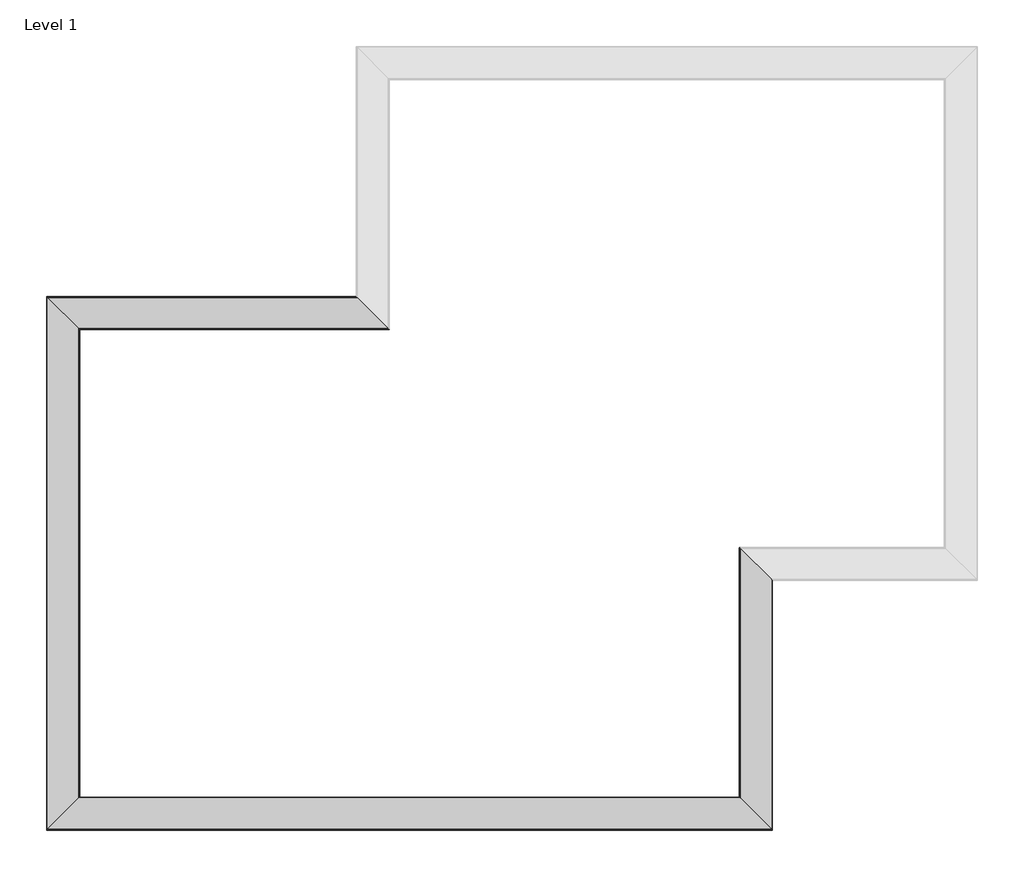
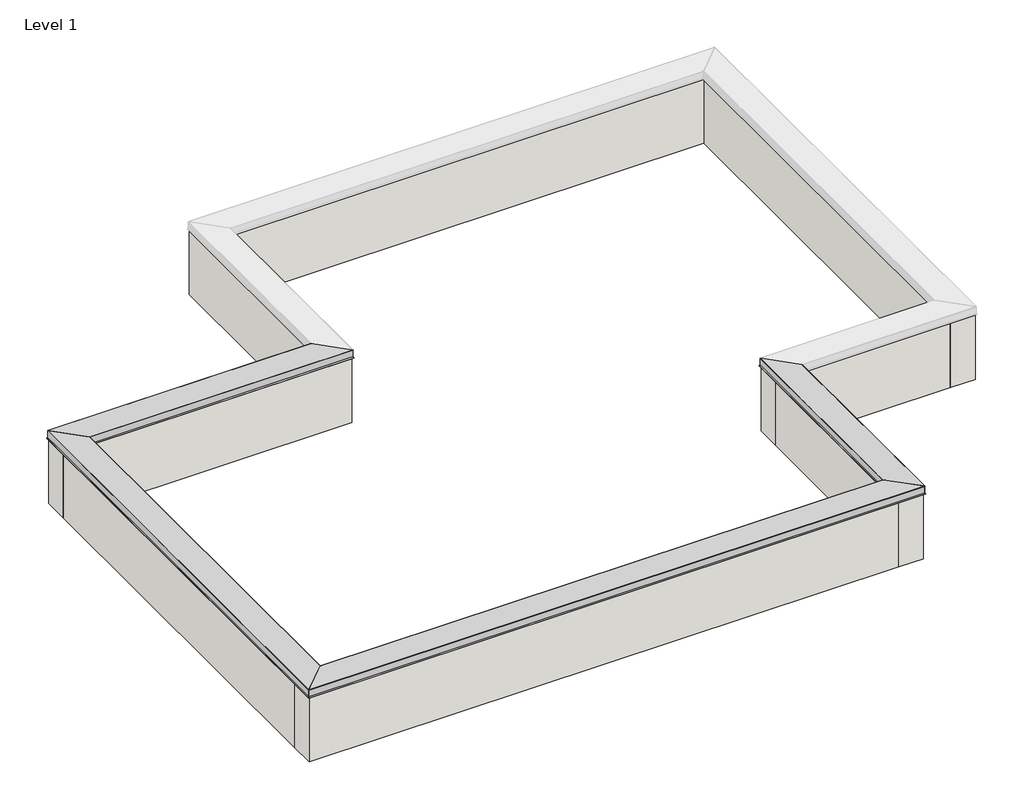
# One storey, part 1 of 2: 8 walls, 4 proxies.
"""IFC4 building model written with IfcOpenShell, lengths in millimetres."""

from ifc_helpers import new_model, si_unit, frame, origin, origin_with_axes, place, context, project, spatial, polyline, ellipse_curve, outline, extrude, faceted_brep, element, save
from ifc_brep_helpers import plane_surface, cylinder_surface, advanced_brep

model = new_model("IFC4")

# Units and contexts
model_context = context("Model", 3, world=origin())
ifc_project = project(units=[si_unit("LENGTHUNIT", "METRE", prefix="MILLI")], contexts=[model_context])

# Site, building, storey
site = spatial("IfcSite", under=ifc_project)
building = spatial("IfcBuilding", under=site)
storey = spatial("IfcBuildingStorey", under=building, Name="Level 1", Elevation=0.0)

# Proxies
placement = place(None, origin())
element("IfcBuildingElementProxy", 1, Name="Wall Sweeps", at=placement, inside=storey, context=model_context, shape_type="AdvancedBrep", body=[
    advanced_brep(
    [(-7784.386069, 22440.6768217, 938.5463571), (-7785.5730266, 22441.8637793, 939.8), (-8109.055185, 22765.3459378, 939.8), (-8110.4188815, 22766.7096342, 938.508843), (-8110.4188815, 22766.7096342, 853.6034331), (-8118.3868754, 22774.6776281, 839.8024627), (-8116.9097878, 22773.2005405, 838.3536044), (-8107.3263626, 22763.6171153, 844.1359599), (-8107.8902006, 22764.1809533, 845.0704406), (-8117.3968634, 22773.6876161, 839.3344014), (-8109.3274752, 22765.6182279, 853.3109916), (-8109.3274752, 22765.6182279, 938.7085937), (-7785.4774752, 22441.7682279, 938.7085938), (-7785.4774752, 22441.7682279, 853.3109916), (-7777.4080871, 22433.6988398, 839.3344014), (-7786.9147498, 22443.2055026, 845.0704406), (-7787.4785879, 22443.7693406, 844.1359599), (-7777.8951627, 22434.1859154, 838.3536044), (-7776.418075, 22432.7088278, 839.8024627), (-7784.386069, 22440.6768217, 853.6034331), (-4571.2676589, 22440.6768217, 938.5463571), (-4571.2676589, 22440.6768217, 853.6034331), (-4563.299665, 22432.7088278, 839.8024627), (-4564.7767526, 22434.1859154, 838.3536044), (-4574.3601778, 22443.7693406, 844.1359599), (-4573.7963398, 22443.2055026, 845.0704406), (-4564.289677, 22433.6988398, 839.3344014), (-4572.3590652, 22441.7682279, 853.3109916), (-4572.3590652, 22441.7682279, 938.7085938), (-4896.2090652, 22765.6182279, 938.7085937), (-4896.2090652, 22765.6182279, 853.3109916), (-4904.2784533, 22773.6876161, 839.3344014), (-4894.7717906, 22764.1809533, 845.0704406), (-4894.2079525, 22763.6171153, 844.1359599), (-4903.7913777, 22773.2005405, 838.3536044), (-4905.2684654, 22774.6776281, 839.8024627), (-4897.3004714, 22766.7096342, 853.6034331), (-4897.3004714, 22766.7096342, 938.508843), (-4895.936775, 22765.3459378, 939.8), (-4572.4546165, 22441.8637793, 939.8)],
    [
        (0, 1, ellipse_curve(frame((-7785.6415852, 22441.9323379, 938.5463571), z_axis=(-0.7071067811865511, -0.707106781186544, 0.0), x_axis=(-0.7071067811865438, 0.7071067811865512, 0.0)), 1.775568, 1.2555162)),
        (1, 2),
        (2, 3, ellipse_curve(frame((-8109.1257952, 22765.4165479, 938.508843), z_axis=(-0.7071067811865511, -0.707106781186544, 0.0), x_axis=(-0.7071067811865438, 0.7071067811865512, 0.0)), 1.8287002, 1.2930863)),
        (3, 4),
        (4, 5),
        (5, 6, ellipse_curve(frame((-8117.4616931, 22773.7524459, 839.2683085), z_axis=(-0.7071067811865511, -0.707106781186544, 0.0), x_axis=(-0.7071067811865438, 0.7071067811865512, 0.0)), 1.5108163, 1.0683085)),
        (6, 7),
        (7, 8),
        (8, 9),
        (9, 10),
        (10, 11),
        (11, 12),
        (12, 13),
        (13, 14),
        (14, 15),
        (15, 16),
        (16, 17),
        (17, 18, ellipse_curve(frame((-7777.3432573, 22433.63401, 839.2683085), z_axis=(-0.7071067811865511, -0.707106781186544, 0.0), x_axis=(-0.7071067811865438, 0.7071067811865512, 0.0)), 1.5108163, 1.0683085)),
        (18, 19),
        (19, 0),
        (20, 21),
        (21, 22),
        (22, 23, ellipse_curve(frame((-4564.2248473, 22433.63401, 839.2683085), z_axis=(0.7071067811865511, 0.707106781186544, 0.0), x_axis=(-0.7071067811865438, 0.7071067811865512, 0.0)), 1.5108163, 1.0683085)),
        (23, 24),
        (24, 25),
        (25, 26),
        (26, 27),
        (27, 28),
        (28, 29),
        (29, 30),
        (30, 31),
        (31, 32),
        (32, 33),
        (33, 34),
        (34, 35, ellipse_curve(frame((-4904.3432831, 22773.7524459, 839.2683085), z_axis=(0.7071067811865511, 0.707106781186544, 0.0), x_axis=(-0.7071067811865438, 0.7071067811865512, 0.0)), 1.5108163, 1.0683085)),
        (35, 36),
        (36, 37),
        (37, 38, ellipse_curve(frame((-4896.0073851, 22765.4165479, 938.508843), z_axis=(0.7071067811865511, 0.707106781186544, 0.0), x_axis=(-0.7071067811865438, 0.7071067811865512, 0.0)), 1.8287002, 1.2930863)),
        (38, 39),
        (39, 20, ellipse_curve(frame((-4572.5231751, 22441.9323379, 938.5463571), z_axis=(0.7071067811865511, 0.707106781186544, 0.0), x_axis=(-0.7071067811865438, 0.7071067811865512, 0.0)), 1.775568, 1.2555162)),
        (0, 20),
        (39, 1),
        (38, 2),
        (37, 3),
        (36, 4),
        (35, 5),
        (34, 6),
        (33, 7),
        (32, 8),
        (31, 9),
        (30, 10),
        (29, 11),
        (28, 12),
        (27, 13),
        (26, 14),
        (25, 15),
        (24, 16),
        (23, 17),
        (22, 18),
        (21, 19),
    ],
    [
        plane_surface(frame((-7947.4024752, 22603.6932279, 1219.2), z_axis=(-0.7071067811865511, -0.707106781186544, 0.0), x_axis=(0.707106781186544, -0.7071067811865511, 0.0))),
        plane_surface(frame((-4734.2840652, 22603.6932279, 609.6), z_axis=(0.7071067811865511, 0.707106781186544, 0.0), x_axis=(-0.707106781186544, 0.7071067811865511, 0.0))),
        cylinder_surface(frame((-7947.4024752, 22441.9323379, 938.5463571), z_axis=(-1.0, 0.0, 0.0), x_axis=(0.0, 1.0, 0.0)), 1.2555162),
        plane_surface(frame((-7785.5730266, 22441.8637793, 939.8), z_axis=(0.0, 0.0, 1.0), x_axis=(1.0, 0.0, 0.0))),
        cylinder_surface(frame((-7947.4024752, 22765.4165479, 938.508843), z_axis=(-1.0, 0.0, 0.0), x_axis=(0.0, 1.0, 0.0)), 1.2930863),
        plane_surface(frame((-8110.4188815, 22766.7096342, 938.508843), z_axis=(0.0, 1.0, 0.0), x_axis=(1.0, 0.0, 0.0))),
        plane_surface(frame((-8110.4188815, 22766.7096342, 853.6034331), z_axis=(0.0, 0.8660254037844565, 0.4999999999999693), x_axis=(1.0, 0.0, 0.0))),
        cylinder_surface(frame((-7947.4024752, 22773.7524459, 839.2683085), z_axis=(-1.0, 0.0, 0.0), x_axis=(0.0, 1.0, 0.0)), 1.0683085),
        plane_surface(frame((-8116.9097878, 22773.2005405, 838.3536044), z_axis=(0.0, -0.5166161099101941, -0.8562171424243141), x_axis=(1.0, 0.0, 0.0))),
        plane_surface(frame((-8107.3263626, 22763.6171153, 844.1359599), z_axis=(0.0, -0.8562171424243104, 0.5166161099102006), x_axis=(1.0, 0.0, 0.0))),
        plane_surface(frame((-8107.8902006, 22764.1809533, 845.0704406), z_axis=(0.0, 0.5166161099101967, 0.8562171424243127), x_axis=(1.0, 0.0, 0.0))),
        plane_surface(frame((-8117.3968634, 22773.6876161, 839.3344014), z_axis=(0.0, -0.8660254037844567, -0.49999999999996875), x_axis=(1.0, 0.0, 0.0))),
        plane_surface(frame((-8109.3274752, 22765.6182279, 853.3109916), z_axis=(0.0, -1.0, 0.0), x_axis=(1.0, 0.0, 0.0))),
        plane_surface(frame((-8109.3274752, 22765.6182279, 938.7085937), z_axis=(0.0, 0.0, -1.0), x_axis=(1.0, 0.0, 0.0))),
        plane_surface(frame((-7785.4774752, 22441.7682279, 938.7085938), z_axis=(0.0, 1.0, 0.0), x_axis=(1.0, 0.0, 0.0))),
        plane_surface(frame((-7785.4774752, 22441.7682279, 853.3109916), z_axis=(0.0, 0.8660254037844562, -0.4999999999999696), x_axis=(1.0, 0.0, 0.0))),
        plane_surface(frame((-7777.4080871, 22433.6988398, 839.3344014), z_axis=(0.0, -0.5166161099101976, 0.8562171424243121), x_axis=(1.0, 0.0, 0.0))),
        plane_surface(frame((-7786.9147498, 22443.2055026, 845.0704406), z_axis=(0.0, 0.8562171424243104, 0.5166161099102006), x_axis=(1.0, 0.0, 0.0))),
        plane_surface(frame((-7787.4785879, 22443.7693406, 844.1359599), z_axis=(0.0, 0.5166161099101971, -0.8562171424243123), x_axis=(1.0, 0.0, 0.0))),
        cylinder_surface(frame((-7947.4024752, 22433.63401, 839.2683085), z_axis=(-1.0, 0.0, 0.0), x_axis=(0.0, 1.0, 0.0)), 1.0683085),
        plane_surface(frame((-7776.418075, 22432.7088278, 839.8024627), z_axis=(0.0, -0.8660254037844569, 0.4999999999999685), x_axis=(1.0, 0.0, 0.0))),
        plane_surface(frame((-7784.386069, 22440.6768217, 853.6034331), z_axis=(0.0, -1.0, 0.0), x_axis=(1.0, 0.0, 0.0))),
    ],
    [
        (0, [[1, 2, 3, 4, 5, 6, 7, 8, 9, 10, 11, 12, 13, 14, 15, 16, 17, 18, 19, 20]]),
        (1, [[21, 22, 23, 24, 25, 26, 27, 28, 29, 30, 31, 32, 33, 34, 35, 36, 37, 38, 39, 40]]),
        (2, [[-1, 41, -40, 42]]),
        (3, [[-2, -42, -39, 43]]),
        (4, [[-3, -43, -38, 44]]),
        (5, [[-4, -44, -37, 45]]),
        (6, [[-5, -45, -36, 46]]),
        (7, [[-6, -46, -35, 47]]),
        (8, [[-7, -47, -34, 48]]),
        (9, [[-8, -48, -33, 49]]),
        (10, [[-9, -49, -32, 50]]),
        (11, [[-10, -50, -31, 51]]),
        (12, [[-11, -51, -30, 52]]),
        (13, [[-12, -52, -29, 53]]),
        (14, [[-13, -53, -28, 54]]),
        (15, [[-14, -54, -27, 55]]),
        (16, [[-15, -55, -26, 56]]),
        (17, [[-16, -56, -25, 57]]),
        (18, [[-17, -57, -24, 58]]),
        (19, [[-18, -58, -23, 59]]),
        (20, [[-19, -59, -22, 60]]),
        (21, [[-20, -60, -21, -41]]),
    ],
),
])
element("IfcBuildingElementProxy", 2, Name="Wall Sweeps", at=placement, inside=storey, context=model_context, shape_type="AdvancedBrep", body=[
    advanced_brep(
    [(-922.1820614, 20163.1912241, 938.5463571), (-920.9951038, 20162.0042665, 939.8), (-597.5129453, 19838.5221081, 939.8), (-596.1492489, 19837.1584116, 938.508843), (-596.1492489, 19837.1584116, 853.6034331), (-588.1812549, 19829.1904177, 839.8024627), (-589.6583426, 19830.6675054, 838.3536044), (-599.2417678, 19840.2509306, 844.1359599), (-598.6779297, 19839.6870925, 845.0704406), (-589.171267, 19830.1804297, 839.3344014), (-597.2406551, 19838.2498179, 853.3109916), (-597.2406551, 19838.2498179, 938.7085937), (-921.0906551, 20162.0998179, 938.7085938), (-921.0906551, 20162.0998179, 853.3109916), (-929.1600433, 20170.1692061, 839.3344014), (-919.6533805, 20160.6625433, 845.0704406), (-919.0895425, 20160.0987052, 844.1359599), (-928.6729677, 20169.6821304, 838.3536044), (-930.1500553, 20171.1592181, 839.8024627), (-922.1820614, 20163.1912241, 853.6034331), (-922.1820614, 17572.3912241, 938.5463571), (-922.1820614, 17572.3912241, 853.6034331), (-930.1500553, 17580.3592181, 839.8024627), (-928.6729677, 17578.8821304, 838.3536044), (-919.0895425, 17569.2987052, 844.1359599), (-919.6533805, 17569.8625433, 845.0704406), (-929.1600433, 17579.3692061, 839.3344014), (-921.0906551, 17571.2998179, 853.3109916), (-921.0906551, 17571.2998179, 938.7085938), (-597.2406551, 17247.4498179, 938.7085937), (-597.2406551, 17247.4498179, 853.3109916), (-589.171267, 17239.3804297, 839.3344014), (-598.6779297, 17248.8870925, 845.0704406), (-599.2417678, 17249.4509306, 844.1359599), (-589.6583426, 17239.8675054, 838.3536044), (-588.1812549, 17238.3904177, 839.8024627), (-596.1492489, 17246.3584116, 853.6034331), (-596.1492489, 17246.3584116, 938.508843), (-597.5129453, 17247.7221081, 939.8), (-920.9951038, 17571.2042665, 939.8)],
    [
        (0, 1, ellipse_curve(frame((-920.9265452, 20161.935708, 938.5463571), z_axis=(0.7071067811865513, 0.7071067811865438, 0.0), x_axis=(-0.7071067811865438, 0.7071067811865512, 0.0)), 1.775568, 1.2555162)),
        (1, 2),
        (2, 3, ellipse_curve(frame((-597.4423352, 19838.4514979, 938.508843), z_axis=(0.7071067811865513, 0.7071067811865438, 0.0), x_axis=(-0.7071067811865438, 0.7071067811865512, 0.0)), 1.8287002, 1.2930863)),
        (3, 4),
        (4, 5),
        (5, 6, ellipse_curve(frame((-589.1064372, 19830.1156, 839.2683085), z_axis=(0.7071067811865513, 0.7071067811865438, 0.0), x_axis=(-0.7071067811865438, 0.7071067811865512, 0.0)), 1.5108163, 1.0683085)),
        (6, 7),
        (7, 8),
        (8, 9),
        (9, 10),
        (10, 11),
        (11, 12),
        (12, 13),
        (13, 14),
        (14, 15),
        (15, 16),
        (16, 17),
        (17, 18, ellipse_curve(frame((-929.224873, 20170.2340358, 839.2683085), z_axis=(0.7071067811865513, 0.7071067811865438, 0.0), x_axis=(-0.7071067811865438, 0.7071067811865512, 0.0)), 1.5108163, 1.0683085)),
        (18, 19),
        (19, 0),
        (20, 21),
        (21, 22),
        (22, 23, ellipse_curve(frame((-929.224873, 17579.4340358, 839.2683085), z_axis=(-0.7071067811865478, -0.7071067811865474, 0.0), x_axis=(-0.7071067811865475, 0.7071067811865477, 0.0)), 1.5108163, 1.0683085)),
        (23, 24),
        (24, 25),
        (25, 26),
        (26, 27),
        (27, 28),
        (28, 29),
        (29, 30),
        (30, 31),
        (31, 32),
        (32, 33),
        (33, 34),
        (34, 35, ellipse_curve(frame((-589.1064372, 17239.3156, 839.2683085), z_axis=(-0.7071067811865478, -0.7071067811865474, 0.0), x_axis=(-0.7071067811865475, 0.7071067811865477, 0.0)), 1.5108163, 1.0683085)),
        (35, 36),
        (36, 37),
        (37, 38, ellipse_curve(frame((-597.4423352, 17247.6514979, 938.508843), z_axis=(-0.7071067811865478, -0.7071067811865474, 0.0), x_axis=(-0.7071067811865475, 0.7071067811865477, 0.0)), 1.8287002, 1.2930863)),
        (38, 39),
        (39, 20, ellipse_curve(frame((-920.9265452, 17571.135708, 938.5463571), z_axis=(-0.7071067811865478, -0.7071067811865474, 0.0), x_axis=(-0.7071067811865475, 0.7071067811865477, 0.0)), 1.775568, 1.2555162)),
        (0, 20),
        (39, 1),
        (38, 2),
        (37, 3),
        (36, 4),
        (35, 5),
        (34, 6),
        (33, 7),
        (32, 8),
        (31, 9),
        (30, 10),
        (29, 11),
        (28, 12),
        (27, 13),
        (26, 14),
        (25, 15),
        (24, 16),
        (23, 17),
        (22, 18),
        (21, 19),
    ],
    [
        plane_surface(frame((-759.1656551, 20000.1748179, 609.6), z_axis=(0.7071067811865513, 0.7071067811865438, 0.0), x_axis=(0.7071067811865438, -0.7071067811865513, 0.0))),
        plane_surface(frame((-759.1656551, 17409.3748179, 1219.2), z_axis=(-0.7071067811865478, -0.7071067811865474, 0.0), x_axis=(-0.7071067811865474, 0.7071067811865478, 0.0))),
        cylinder_surface(frame((-920.9265452, 20000.1748179, 938.5463571), z_axis=(0.0, 1.0, 0.0), x_axis=(1.0, 0.0, 0.0)), 1.2555162),
        plane_surface(frame((-920.9951038, 20162.0042665, 939.8), z_axis=(0.0, 0.0, 1.0), x_axis=(0.0, -1.0, 0.0))),
        cylinder_surface(frame((-597.4423352, 20000.1748179, 938.508843), z_axis=(0.0, 1.0, 0.0), x_axis=(1.0, 0.0, 0.0)), 1.2930863),
        plane_surface(frame((-596.1492489, 19837.1584116, 938.508843), z_axis=(1.0, 0.0, 0.0), x_axis=(0.0, -1.0, 0.0))),
        plane_surface(frame((-596.1492489, 19837.1584116, 853.6034331), z_axis=(0.8660254037844565, 0.0, 0.4999999999999693), x_axis=(0.0, -1.0, 0.0))),
        cylinder_surface(frame((-589.1064372, 20000.1748179, 839.2683085), z_axis=(0.0, 1.0, 0.0), x_axis=(1.0, 0.0, 0.0)), 1.0683085),
        plane_surface(frame((-589.6583426, 19830.6675054, 838.3536044), z_axis=(-0.5166161099101941, 0.0, -0.8562171424243141), x_axis=(0.0, -1.0, 0.0))),
        plane_surface(frame((-599.2417678, 19840.2509306, 844.1359599), z_axis=(-0.8562171424243104, 0.0, 0.5166161099102006), x_axis=(0.0, -1.0, 0.0))),
        plane_surface(frame((-598.6779297, 19839.6870925, 845.0704406), z_axis=(0.5166161099101967, 0.0, 0.8562171424243127), x_axis=(0.0, -1.0, 0.0))),
        plane_surface(frame((-589.171267, 19830.1804297, 839.3344014), z_axis=(-0.8660254037844567, 0.0, -0.49999999999996875), x_axis=(0.0, -1.0, 0.0))),
        plane_surface(frame((-597.2406551, 19838.2498179, 853.3109916), z_axis=(-1.0, 0.0, 0.0), x_axis=(0.0, -1.0, 0.0))),
        plane_surface(frame((-597.2406551, 19838.2498179, 938.7085937), z_axis=(0.0, 0.0, -1.0), x_axis=(0.0, -1.0, 0.0))),
        plane_surface(frame((-921.0906551, 20162.0998179, 938.7085938), z_axis=(1.0, 0.0, 0.0), x_axis=(0.0, -1.0, 0.0))),
        plane_surface(frame((-921.0906551, 20162.0998179, 853.3109916), z_axis=(0.8660254037844562, 0.0, -0.4999999999999696), x_axis=(0.0, -1.0, 0.0))),
        plane_surface(frame((-929.1600433, 20170.1692061, 839.3344014), z_axis=(-0.5166161099101976, 0.0, 0.8562171424243121), x_axis=(0.0, -1.0, 0.0))),
        plane_surface(frame((-919.6533805, 20160.6625433, 845.0704406), z_axis=(0.8562171424243104, 0.0, 0.5166161099102006), x_axis=(0.0, -1.0, 0.0))),
        plane_surface(frame((-919.0895425, 20160.0987052, 844.1359599), z_axis=(0.5166161099101971, 0.0, -0.8562171424243123), x_axis=(0.0, -1.0, 0.0))),
        cylinder_surface(frame((-929.224873, 20000.1748179, 839.2683085), z_axis=(0.0, 1.0, 0.0), x_axis=(1.0, 0.0, 0.0)), 1.0683085),
        plane_surface(frame((-930.1500553, 20171.1592181, 839.8024627), z_axis=(-0.8660254037844569, 0.0, 0.4999999999999685), x_axis=(0.0, -1.0, 0.0))),
        plane_surface(frame((-922.1820614, 20163.1912241, 853.6034331), z_axis=(-1.0, 0.0, 0.0), x_axis=(0.0, -1.0, 0.0))),
    ],
    [
        (0, [[1, 2, 3, 4, 5, 6, 7, 8, 9, 10, 11, 12, 13, 14, 15, 16, 17, 18, 19, 20]]),
        (1, [[21, 22, 23, 24, 25, 26, 27, 28, 29, 30, 31, 32, 33, 34, 35, 36, 37, 38, 39, 40]]),
        (2, [[-1, 41, -40, 42]]),
        (3, [[-2, -42, -39, 43]]),
        (4, [[-3, -43, -38, 44]]),
        (5, [[-4, -44, -37, 45]]),
        (6, [[-5, -45, -36, 46]]),
        (7, [[-6, -46, -35, 47]]),
        (8, [[-7, -47, -34, 48]]),
        (9, [[-8, -48, -33, 49]]),
        (10, [[-9, -49, -32, 50]]),
        (11, [[-10, -50, -31, 51]]),
        (12, [[-11, -51, -30, 52]]),
        (13, [[-12, -52, -29, 53]]),
        (14, [[-13, -53, -28, 54]]),
        (15, [[-14, -54, -27, 55]]),
        (16, [[-15, -55, -26, 56]]),
        (17, [[-16, -56, -25, 57]]),
        (18, [[-17, -57, -24, 58]]),
        (19, [[-18, -58, -23, 59]]),
        (20, [[-19, -59, -22, 60]]),
        (21, [[-20, -60, -21, -41]]),
    ],
),
])
element("IfcBuildingElementProxy", 3, Name="Wall Sweeps", at=placement, inside=storey, context=model_context, shape_type="AdvancedBrep", body=[
    advanced_brep(
    [(-922.1820614, 17572.3912241, 938.5463571), (-920.9951038, 17571.2042665, 939.8), (-597.5129453, 17247.7221081, 939.8), (-596.1492489, 17246.3584116, 938.508843), (-596.1492489, 17246.3584116, 853.6034331), (-588.1812549, 17238.3904177, 839.8024627), (-589.6583426, 17239.8675054, 838.3536044), (-599.2417678, 17249.4509306, 844.1359599), (-598.6779297, 17248.8870925, 845.0704406), (-589.171267, 17239.3804297, 839.3344014), (-597.2406551, 17247.4498179, 853.3109916), (-597.2406551, 17247.4498179, 938.7085937), (-921.0906551, 17571.2998179, 938.7085938), (-921.0906551, 17571.2998179, 853.3109916), (-929.1600433, 17579.3692061, 839.3344014), (-919.6533805, 17569.8625433, 845.0704406), (-919.0895425, 17569.2987052, 844.1359599), (-928.6729677, 17578.8821304, 838.3536044), (-930.1500553, 17580.3592181, 839.8024627), (-922.1820614, 17572.3912241, 853.6034331), (-7784.386069, 17572.3912241, 938.5463571), (-7784.386069, 17572.3912241, 853.6034331), (-7776.418075, 17580.3592181, 839.8024627), (-7777.8951627, 17578.8821304, 838.3536044), (-7787.4785879, 17569.2987052, 844.1359599), (-7786.9147498, 17569.8625433, 845.0704406), (-7777.4080871, 17579.3692061, 839.3344014), (-7785.4774752, 17571.2998179, 853.3109916), (-7785.4774752, 17571.2998179, 938.7085938), (-8109.3274752, 17247.4498179, 938.7085937), (-8109.3274752, 17247.4498179, 853.3109916), (-8117.3968634, 17239.3804297, 839.3344014), (-8107.8902006, 17248.8870925, 845.0704406), (-8107.3263626, 17249.4509306, 844.1359599), (-8116.9097878, 17239.8675054, 838.3536044), (-8118.3868754, 17238.3904177, 839.8024627), (-8110.4188815, 17246.3584116, 853.6034331), (-8110.4188815, 17246.3584116, 938.508843), (-8109.055185, 17247.7221081, 939.8), (-7785.5730266, 17571.2042665, 939.8)],
    [
        (0, 1, ellipse_curve(frame((-920.9265452, 17571.135708, 938.5463571), z_axis=(0.7071067811865478, 0.7071067811865474, 0.0), x_axis=(0.7071067811865472, -0.7071067811865477, 0.0)), 1.775568, 1.2555162)),
        (1, 2),
        (2, 3, ellipse_curve(frame((-597.4423352, 17247.6514979, 938.508843), z_axis=(0.7071067811865478, 0.7071067811865474, 0.0), x_axis=(0.7071067811865472, -0.7071067811865477, 0.0)), 1.8287002, 1.2930863)),
        (3, 4),
        (4, 5),
        (5, 6, ellipse_curve(frame((-589.1064372, 17239.3156, 839.2683085), z_axis=(0.7071067811865478, 0.7071067811865474, 0.0), x_axis=(0.7071067811865472, -0.7071067811865477, 0.0)), 1.5108163, 1.0683085)),
        (6, 7),
        (7, 8),
        (8, 9),
        (9, 10),
        (10, 11),
        (11, 12),
        (12, 13),
        (13, 14),
        (14, 15),
        (15, 16),
        (16, 17),
        (17, 18, ellipse_curve(frame((-929.224873, 17579.4340358, 839.2683085), z_axis=(0.7071067811865478, 0.7071067811865474, 0.0), x_axis=(0.7071067811865472, -0.7071067811865477, 0.0)), 1.5108163, 1.0683085)),
        (18, 19),
        (19, 0),
        (20, 21),
        (21, 22),
        (22, 23, ellipse_curve(frame((-7777.3432573, 17579.4340358, 839.2683085), z_axis=(-0.7071067811865458, 0.7071067811865493, 0.0), x_axis=(0.7071067811865491, 0.7071067811865458, 0.0)), 1.5108163, 1.0683085)),
        (23, 24),
        (24, 25),
        (25, 26),
        (26, 27),
        (27, 28),
        (28, 29),
        (29, 30),
        (30, 31),
        (31, 32),
        (32, 33),
        (33, 34),
        (34, 35, ellipse_curve(frame((-8117.4616931, 17239.3156, 839.2683085), z_axis=(-0.7071067811865458, 0.7071067811865493, 0.0), x_axis=(0.7071067811865491, 0.7071067811865458, 0.0)), 1.5108163, 1.0683085)),
        (35, 36),
        (36, 37),
        (37, 38, ellipse_curve(frame((-8109.1257952, 17247.6514979, 938.508843), z_axis=(-0.7071067811865458, 0.7071067811865493, 0.0), x_axis=(0.7071067811865491, 0.7071067811865458, 0.0)), 1.8287002, 1.2930863)),
        (38, 39),
        (39, 20, ellipse_curve(frame((-7785.6415852, 17571.135708, 938.5463571), z_axis=(-0.7071067811865458, 0.7071067811865493, 0.0), x_axis=(0.7071067811865491, 0.7071067811865458, 0.0)), 1.775568, 1.2555162)),
        (0, 20),
        (39, 1),
        (38, 2),
        (37, 3),
        (36, 4),
        (35, 5),
        (34, 6),
        (33, 7),
        (32, 8),
        (31, 9),
        (30, 10),
        (29, 11),
        (28, 12),
        (27, 13),
        (26, 14),
        (25, 15),
        (24, 16),
        (23, 17),
        (22, 18),
        (21, 19),
    ],
    [
        plane_surface(frame((-759.1656551, 17409.3748179, 1219.2), z_axis=(0.7071067811865478, 0.7071067811865474, 0.0), x_axis=(-0.7071067811865474, 0.7071067811865478, 0.0))),
        plane_surface(frame((-7947.4024752, 17409.3748179, 1219.2), z_axis=(-0.7071067811865458, 0.7071067811865493, 0.0), x_axis=(0.7071067811865493, 0.7071067811865458, 0.0))),
        cylinder_surface(frame((-759.1656551, 17571.135708, 938.5463571), z_axis=(1.0, 0.0, 0.0), x_axis=(0.0, -1.0, 0.0)), 1.2555162),
        plane_surface(frame((-920.9951038, 17571.2042665, 939.8), z_axis=(0.0, 0.0, 1.0), x_axis=(-1.0, 0.0, 0.0))),
        cylinder_surface(frame((-759.1656551, 17247.6514979, 938.508843), z_axis=(1.0, 0.0, 0.0), x_axis=(0.0, -1.0, 0.0)), 1.2930863),
        plane_surface(frame((-596.1492489, 17246.3584116, 938.508843), z_axis=(0.0, -1.0, 0.0), x_axis=(-1.0, 0.0, 0.0))),
        plane_surface(frame((-596.1492489, 17246.3584116, 853.6034331), z_axis=(0.0, -0.8660254037844565, 0.4999999999999693), x_axis=(-1.0, 0.0, 0.0))),
        cylinder_surface(frame((-759.1656551, 17239.3156, 839.2683085), z_axis=(1.0, 0.0, 0.0), x_axis=(0.0, -1.0, 0.0)), 1.0683085),
        plane_surface(frame((-589.6583426, 17239.8675054, 838.3536044), z_axis=(0.0, 0.5166161099101941, -0.8562171424243141), x_axis=(-1.0, 0.0, 0.0))),
        plane_surface(frame((-599.2417678, 17249.4509306, 844.1359599), z_axis=(0.0, 0.8562171424243104, 0.5166161099102006), x_axis=(-1.0, 0.0, 0.0))),
        plane_surface(frame((-598.6779297, 17248.8870925, 845.0704406), z_axis=(0.0, -0.5166161099101967, 0.8562171424243127), x_axis=(-1.0, 0.0, 0.0))),
        plane_surface(frame((-589.171267, 17239.3804297, 839.3344014), z_axis=(0.0, 0.8660254037844567, -0.49999999999996875), x_axis=(-1.0, 0.0, 0.0))),
        plane_surface(frame((-597.2406551, 17247.4498179, 853.3109916), z_axis=(0.0, 1.0, 0.0), x_axis=(-1.0, 0.0, 0.0))),
        plane_surface(frame((-597.2406551, 17247.4498179, 938.7085937), z_axis=(0.0, 0.0, -1.0), x_axis=(-1.0, 0.0, 0.0))),
        plane_surface(frame((-921.0906551, 17571.2998179, 938.7085938), z_axis=(0.0, -1.0, 0.0), x_axis=(-1.0, 0.0, 0.0))),
        plane_surface(frame((-921.0906551, 17571.2998179, 853.3109916), z_axis=(0.0, -0.8660254037844562, -0.4999999999999696), x_axis=(-1.0, 0.0, 0.0))),
        plane_surface(frame((-929.1600433, 17579.3692061, 839.3344014), z_axis=(0.0, 0.5166161099101976, 0.8562171424243121), x_axis=(-1.0, 0.0, 0.0))),
        plane_surface(frame((-919.6533805, 17569.8625433, 845.0704406), z_axis=(0.0, -0.8562171424243104, 0.5166161099102006), x_axis=(-1.0, 0.0, 0.0))),
        plane_surface(frame((-919.0895425, 17569.2987052, 844.1359599), z_axis=(0.0, -0.5166161099101971, -0.8562171424243123), x_axis=(-1.0, 0.0, 0.0))),
        cylinder_surface(frame((-759.1656551, 17579.4340358, 839.2683085), z_axis=(1.0, 0.0, 0.0), x_axis=(0.0, -1.0, 0.0)), 1.0683085),
        plane_surface(frame((-930.1500553, 17580.3592181, 839.8024627), z_axis=(0.0, 0.8660254037844569, 0.4999999999999685), x_axis=(-1.0, 0.0, 0.0))),
        plane_surface(frame((-922.1820614, 17572.3912241, 853.6034331), z_axis=(0.0, 1.0, 0.0), x_axis=(-1.0, 0.0, 0.0))),
    ],
    [
        (0, [[1, 2, 3, 4, 5, 6, 7, 8, 9, 10, 11, 12, 13, 14, 15, 16, 17, 18, 19, 20]]),
        (1, [[21, 22, 23, 24, 25, 26, 27, 28, 29, 30, 31, 32, 33, 34, 35, 36, 37, 38, 39, 40]]),
        (2, [[-1, 41, -40, 42]]),
        (3, [[-2, -42, -39, 43]]),
        (4, [[-3, -43, -38, 44]]),
        (5, [[-4, -44, -37, 45]]),
        (6, [[-5, -45, -36, 46]]),
        (7, [[-6, -46, -35, 47]]),
        (8, [[-7, -47, -34, 48]]),
        (9, [[-8, -48, -33, 49]]),
        (10, [[-9, -49, -32, 50]]),
        (11, [[-10, -50, -31, 51]]),
        (12, [[-11, -51, -30, 52]]),
        (13, [[-12, -52, -29, 53]]),
        (14, [[-13, -53, -28, 54]]),
        (15, [[-14, -54, -27, 55]]),
        (16, [[-15, -55, -26, 56]]),
        (17, [[-16, -56, -25, 57]]),
        (18, [[-17, -57, -24, 58]]),
        (19, [[-18, -58, -23, 59]]),
        (20, [[-19, -59, -22, 60]]),
        (21, [[-20, -60, -21, -41]]),
    ],
),
])
element("IfcBuildingElementProxy", 4, Name="Wall Sweeps", at=placement, inside=storey, context=model_context, shape_type="AdvancedBrep", body=[
    advanced_brep(
    [(-7784.386069, 17572.3912241, 938.5463571), (-7785.5730266, 17571.2042665, 939.8), (-8109.055185, 17247.7221081, 939.8), (-8110.4188815, 17246.3584116, 938.508843), (-8110.4188815, 17246.3584116, 853.6034331), (-8118.3868754, 17238.3904177, 839.8024627), (-8116.9097878, 17239.8675054, 838.3536044), (-8107.3263626, 17249.4509306, 844.1359599), (-8107.8902006, 17248.8870925, 845.0704406), (-8117.3968634, 17239.3804297, 839.3344014), (-8109.3274752, 17247.4498179, 853.3109916), (-8109.3274752, 17247.4498179, 938.7085937), (-7785.4774752, 17571.2998179, 938.7085938), (-7785.4774752, 17571.2998179, 853.3109916), (-7777.4080871, 17579.3692061, 839.3344014), (-7786.9147498, 17569.8625433, 845.0704406), (-7787.4785879, 17569.2987052, 844.1359599), (-7777.8951627, 17578.8821304, 838.3536044), (-7776.418075, 17580.3592181, 839.8024627), (-7784.386069, 17572.3912241, 853.6034331), (-7784.386069, 22440.6768217, 938.5463571), (-7784.386069, 22440.6768217, 853.6034331), (-7776.418075, 22432.7088278, 839.8024627), (-7777.8951627, 22434.1859154, 838.3536044), (-7787.4785879, 22443.7693406, 844.1359599), (-7786.9147498, 22443.2055026, 845.0704406), (-7777.4080871, 22433.6988398, 839.3344014), (-7785.4774752, 22441.7682279, 853.3109916), (-7785.4774752, 22441.7682279, 938.7085938), (-8109.3274752, 22765.6182279, 938.7085937), (-8109.3274752, 22765.6182279, 853.3109916), (-8117.3968634, 22773.6876161, 839.3344014), (-8107.8902006, 22764.1809533, 845.0704406), (-8107.3263626, 22763.6171153, 844.1359599), (-8116.9097878, 22773.2005405, 838.3536044), (-8118.3868754, 22774.6776281, 839.8024627), (-8110.4188815, 22766.7096342, 853.6034331), (-8110.4188815, 22766.7096342, 938.508843), (-8109.055185, 22765.3459378, 939.8), (-7785.5730266, 22441.8637793, 939.8)],
    [
        (0, 1, ellipse_curve(frame((-7785.6415852, 17571.135708, 938.5463571), z_axis=(0.7071067811865458, -0.7071067811865493, 0.0), x_axis=(-0.7071067811865492, -0.7071067811865457, 0.0)), 1.775568, 1.2555162)),
        (1, 2),
        (2, 3, ellipse_curve(frame((-8109.1257952, 17247.6514979, 938.508843), z_axis=(0.7071067811865458, -0.7071067811865493, 0.0), x_axis=(-0.7071067811865492, -0.7071067811865457, 0.0)), 1.8287002, 1.2930863)),
        (3, 4),
        (4, 5),
        (5, 6, ellipse_curve(frame((-8117.4616931, 17239.3156, 839.2683085), z_axis=(0.7071067811865458, -0.7071067811865493, 0.0), x_axis=(-0.7071067811865492, -0.7071067811865457, 0.0)), 1.5108163, 1.0683085)),
        (6, 7),
        (7, 8),
        (8, 9),
        (9, 10),
        (10, 11),
        (11, 12),
        (12, 13),
        (13, 14),
        (14, 15),
        (15, 16),
        (16, 17),
        (17, 18, ellipse_curve(frame((-7777.3432573, 17579.4340358, 839.2683085), z_axis=(0.7071067811865458, -0.7071067811865493, 0.0), x_axis=(-0.7071067811865492, -0.7071067811865457, 0.0)), 1.5108163, 1.0683085)),
        (18, 19),
        (19, 0),
        (20, 21),
        (21, 22),
        (22, 23, ellipse_curve(frame((-7777.3432573, 22433.63401, 839.2683085), z_axis=(0.7071067811865511, 0.707106781186544, 0.0), x_axis=(0.707106781186544, -0.7071067811865509, 0.0)), 1.5108163, 1.0683085)),
        (23, 24),
        (24, 25),
        (25, 26),
        (26, 27),
        (27, 28),
        (28, 29),
        (29, 30),
        (30, 31),
        (31, 32),
        (32, 33),
        (33, 34),
        (34, 35, ellipse_curve(frame((-8117.4616931, 22773.7524459, 839.2683085), z_axis=(0.7071067811865511, 0.707106781186544, 0.0), x_axis=(0.707106781186544, -0.7071067811865509, 0.0)), 1.5108163, 1.0683085)),
        (35, 36),
        (36, 37),
        (37, 38, ellipse_curve(frame((-8109.1257952, 22765.4165479, 938.508843), z_axis=(0.7071067811865511, 0.707106781186544, 0.0), x_axis=(0.707106781186544, -0.7071067811865509, 0.0)), 1.8287002, 1.2930863)),
        (38, 39),
        (39, 20, ellipse_curve(frame((-7785.6415852, 22441.9323379, 938.5463571), z_axis=(0.7071067811865511, 0.707106781186544, 0.0), x_axis=(0.707106781186544, -0.7071067811865509, 0.0)), 1.775568, 1.2555162)),
        (0, 20),
        (39, 1),
        (38, 2),
        (37, 3),
        (36, 4),
        (35, 5),
        (34, 6),
        (33, 7),
        (32, 8),
        (31, 9),
        (30, 10),
        (29, 11),
        (28, 12),
        (27, 13),
        (26, 14),
        (25, 15),
        (24, 16),
        (23, 17),
        (22, 18),
        (21, 19),
    ],
    [
        plane_surface(frame((-7947.4024752, 17409.3748179, 1219.2), z_axis=(0.7071067811865458, -0.7071067811865493, 0.0), x_axis=(0.7071067811865493, 0.7071067811865458, 0.0))),
        plane_surface(frame((-7947.4024752, 22603.6932279, 1219.2), z_axis=(0.7071067811865511, 0.707106781186544, 0.0), x_axis=(0.707106781186544, -0.7071067811865511, 0.0))),
        cylinder_surface(frame((-7785.6415852, 17409.3748179, 938.5463571), z_axis=(0.0, -1.0, 0.0), x_axis=(-1.0, 0.0, 0.0)), 1.2555162),
        plane_surface(frame((-7785.5730266, 17571.2042665, 939.8), z_axis=(0.0, 0.0, 1.0), x_axis=(0.0, 1.0, 0.0))),
        cylinder_surface(frame((-8109.1257952, 17409.3748179, 938.508843), z_axis=(0.0, -1.0, 0.0), x_axis=(-1.0, 0.0, 0.0)), 1.2930863),
        plane_surface(frame((-8110.4188815, 17246.3584116, 938.508843), z_axis=(-1.0, 0.0, 0.0), x_axis=(0.0, 1.0, 0.0))),
        plane_surface(frame((-8110.4188815, 17246.3584116, 853.6034331), z_axis=(-0.8660254037844565, 0.0, 0.4999999999999693), x_axis=(0.0, 1.0, 0.0))),
        cylinder_surface(frame((-8117.4616931, 17409.3748179, 839.2683085), z_axis=(0.0, -1.0, 0.0), x_axis=(-1.0, 0.0, 0.0)), 1.0683085),
        plane_surface(frame((-8116.9097878, 17239.8675054, 838.3536044), z_axis=(0.5166161099101941, 0.0, -0.8562171424243141), x_axis=(0.0, 1.0, 0.0))),
        plane_surface(frame((-8107.3263626, 17249.4509306, 844.1359599), z_axis=(0.8562171424243104, 0.0, 0.5166161099102006), x_axis=(0.0, 1.0, 0.0))),
        plane_surface(frame((-8107.8902006, 17248.8870925, 845.0704406), z_axis=(-0.5166161099101967, 0.0, 0.8562171424243127), x_axis=(0.0, 1.0, 0.0))),
        plane_surface(frame((-8117.3968634, 17239.3804297, 839.3344014), z_axis=(0.8660254037844567, 0.0, -0.49999999999996875), x_axis=(0.0, 1.0, 0.0))),
        plane_surface(frame((-8109.3274752, 17247.4498179, 853.3109916), z_axis=(1.0, 0.0, 0.0), x_axis=(0.0, 1.0, 0.0))),
        plane_surface(frame((-8109.3274752, 17247.4498179, 938.7085937), z_axis=(0.0, 0.0, -1.0), x_axis=(0.0, 1.0, 0.0))),
        plane_surface(frame((-7785.4774752, 17571.2998179, 938.7085938), z_axis=(-1.0, 0.0, 0.0), x_axis=(0.0, 1.0, 0.0))),
        plane_surface(frame((-7785.4774752, 17571.2998179, 853.3109916), z_axis=(-0.8660254037844562, 0.0, -0.4999999999999696), x_axis=(0.0, 1.0, 0.0))),
        plane_surface(frame((-7777.4080871, 17579.3692061, 839.3344014), z_axis=(0.5166161099101976, 0.0, 0.8562171424243121), x_axis=(0.0, 1.0, 0.0))),
        plane_surface(frame((-7786.9147498, 17569.8625433, 845.0704406), z_axis=(-0.8562171424243104, 0.0, 0.5166161099102006), x_axis=(0.0, 1.0, 0.0))),
        plane_surface(frame((-7787.4785879, 17569.2987052, 844.1359599), z_axis=(-0.5166161099101971, 0.0, -0.8562171424243123), x_axis=(0.0, 1.0, 0.0))),
        cylinder_surface(frame((-7777.3432573, 17409.3748179, 839.2683085), z_axis=(0.0, -1.0, 0.0), x_axis=(-1.0, 0.0, 0.0)), 1.0683085),
        plane_surface(frame((-7776.418075, 17580.3592181, 839.8024627), z_axis=(0.8660254037844569, 0.0, 0.4999999999999685), x_axis=(0.0, 1.0, 0.0))),
        plane_surface(frame((-7784.386069, 17572.3912241, 853.6034331), z_axis=(1.0, 0.0, 0.0), x_axis=(0.0, 1.0, 0.0))),
    ],
    [
        (0, [[1, 2, 3, 4, 5, 6, 7, 8, 9, 10, 11, 12, 13, 14, 15, 16, 17, 18, 19, 20]]),
        (1, [[21, 22, 23, 24, 25, 26, 27, 28, 29, 30, 31, 32, 33, 34, 35, 36, 37, 38, 39, 40]]),
        (2, [[-1, 41, -40, 42]]),
        (3, [[-2, -42, -39, 43]]),
        (4, [[-3, -43, -38, 44]]),
        (5, [[-4, -44, -37, 45]]),
        (6, [[-5, -45, -36, 46]]),
        (7, [[-6, -46, -35, 47]]),
        (8, [[-7, -47, -34, 48]]),
        (9, [[-8, -48, -33, 49]]),
        (10, [[-9, -49, -32, 50]]),
        (11, [[-10, -50, -31, 51]]),
        (12, [[-11, -51, -30, 52]]),
        (13, [[-12, -52, -29, 53]]),
        (14, [[-13, -53, -28, 54]]),
        (15, [[-14, -54, -27, 55]]),
        (16, [[-15, -55, -26, 56]]),
        (17, [[-16, -56, -25, 57]]),
        (18, [[-17, -57, -24, 58]]),
        (19, [[-18, -58, -23, 59]]),
        (20, [[-19, -59, -22, 60]]),
        (21, [[-20, -60, -21, -41]]),
    ],
),
])

# Walls
element("IfcWall", 5, ObjectType="Generic - 12\" Parapet Coping Cap Flat", at=placement, inside=storey, context=model_context, shape_type="Brep", body=[
    faceted_brep([(-8099.8024752, 22451.2932279, 0.0), (-7795.0024752, 22451.2932279, 0.0), (-4581.8840652, 22451.2932279, 0.0), (-4581.8840652, 22451.2932279, 914.4), (-7795.0024752, 22451.2932279, 914.4), (-8099.8024752, 22451.2932279, 914.4), (-4581.8840652, 22756.0932279, 0.0), (-4886.6840652, 22756.0932279, 0.0), (-8099.8024752, 22756.0932279, 0.0), (-8099.8024752, 22756.0932279, 914.4), (-4886.6840652, 22756.0932279, 914.4), (-4581.8840652, 22756.0932279, 914.4)], [[[0, 1, 2, 3, 4, 5]], [[6, 7, 8, 9, 10, 11]], [[2, 1, 0, 8, 7, 6]], [[5, 4, 3, 11, 10, 9]], [[3, 2, 6, 11]], [[0, 5, 9, 8]]]),
])
element("IfcWall", 6, ObjectType="Generic - 12\" Parapet Coping Cap Flat", at=placement, inside=storey, context=model_context, shape_type="Brep", body=[
    faceted_brep([(-4581.8840652, 22756.0932279, 0.0), (-4581.8840652, 25048.0579346, 0.0), (-4581.8840652, 25352.8579346, 0.0), (-4581.8840652, 25352.8579346, 914.4), (-4581.8840652, 25048.0579346, 914.4), (-4581.8840652, 22756.0932279, 914.4), (-4886.6840652, 25352.8579346, 0.0), (-4886.6840652, 22756.0932279, 0.0), (-4886.6840652, 22756.0932279, 914.4), (-4886.6840652, 25352.8579346, 914.4)], [[[0, 1, 2, 3, 4, 5]], [[6, 7, 8, 9]], [[2, 1, 0, 7, 6]], [[5, 4, 3, 9, 8]], [[0, 5, 8, 7]], [[3, 2, 6, 9]]]),
])
element("IfcWall", 7, ObjectType="Generic - 12\" Parapet Coping Cap Flat", at=placement, inside=storey, context=model_context, shape_type="Brep", body=[
    faceted_brep([(-4581.8840652, 25048.0579346, 0.0), (1215.2806415, 25048.0579346, 0.0), (1520.0806415, 25048.0579346, 0.0), (1520.0806415, 25048.0579346, 914.4), (1215.2806415, 25048.0579346, 914.4), (-4581.8840652, 25048.0579346, 914.4), (1520.0806415, 25352.8579346, 0.0), (-4581.8840652, 25352.8579346, 0.0), (-4581.8840652, 25352.8579346, 914.4), (1520.0806415, 25352.8579346, 914.4)], [[[0, 1, 2, 3, 4, 5]], [[6, 7, 8, 9]], [[2, 1, 0, 7, 6]], [[5, 4, 3, 9, 8]], [[3, 2, 6, 9]], [[0, 5, 8, 7]]]),
])
element("IfcWall", 8, ObjectType="Generic - 12\" Parapet Coping Cap Flat", at=placement, inside=storey, context=model_context, shape_type="Brep", body=[
    faceted_brep([(1215.2806415, 25048.0579346, 0.0), (1215.2806415, 20152.5748179, 0.0), (1215.2806415, 19847.7748179, 0.0), (1215.2806415, 19847.7748179, 914.4), (1215.2806415, 20152.5748179, 914.4), (1215.2806415, 25048.0579346, 914.4), (1520.0806415, 19847.7748179, 0.0), (1520.0806415, 25048.0579346, 0.0), (1520.0806415, 25048.0579346, 914.4), (1520.0806415, 19847.7748179, 914.4)], [[[0, 1, 2, 3, 4, 5]], [[6, 7, 8, 9]], [[2, 1, 0, 7, 6]], [[5, 4, 3, 9, 8]], [[0, 5, 8, 7]], [[3, 2, 6, 9]]]),
])
element("IfcWall", 9, ObjectType="Generic - 12\" Parapet Coping Cap Flat", at=placement, inside=storey, context=model_context, shape_type="Brep", body=[
    faceted_brep([(1215.2806415, 20152.5748179, 0.0), (-911.5656551, 20152.5748179, 0.0), (-911.5656551, 20152.5748179, 914.4), (1215.2806415, 20152.5748179, 914.4), (-911.5656551, 19847.7748179, 0.0), (-606.7656551, 19847.7748179, 0.0), (1215.2806415, 19847.7748179, 0.0), (1215.2806415, 19847.7748179, 914.4), (-606.7656551, 19847.7748179, 914.4), (-911.5656551, 19847.7748179, 914.4)], [[[0, 1, 2, 3]], [[4, 5, 6, 7, 8, 9]], [[1, 0, 6, 5, 4]], [[3, 2, 9, 8, 7]], [[2, 1, 4, 9]], [[0, 3, 7, 6]]]),
])
element("IfcWall", 10, ObjectType="Generic - 12\" Parapet Coping Cap Flat", at=placement, inside=storey, context=model_context, shape_type="Brep", body=[
    faceted_brep([(-911.5656551, 19847.7748179, 0.0), (-911.5656551, 17561.7748179, 0.0), (-911.5656551, 17256.9748179, 0.0), (-911.5656551, 17256.9748179, 914.4), (-911.5656551, 17561.7748179, 914.4), (-911.5656551, 19847.7748179, 914.4), (-606.7656551, 17256.9748179, 0.0), (-606.7656551, 19847.7748179, 0.0), (-606.7656551, 19847.7748179, 914.4), (-606.7656551, 17256.9748179, 914.4)], [[[0, 1, 2, 3, 4, 5]], [[6, 7, 8, 9]], [[2, 1, 0, 7, 6]], [[5, 4, 3, 9, 8]], [[0, 5, 8, 7]], [[3, 2, 6, 9]]]),
])
element("IfcWall", 11, ObjectType="Generic - 12\" Parapet Coping Cap Flat", at=placement, inside=storey, context=model_context, shape_type="Brep", body=[
    faceted_brep([(-911.5656551, 17561.7748179, 0.0), (-7795.0024752, 17561.7748179, 0.0), (-8099.8024752, 17561.7748179, 0.0), (-8099.8024752, 17561.7748179, 914.4), (-7795.0024752, 17561.7748179, 914.4), (-911.5656551, 17561.7748179, 914.4), (-8099.8024752, 17256.9748179, 0.0), (-911.5656551, 17256.9748179, 0.0), (-911.5656551, 17256.9748179, 914.4), (-8099.8024752, 17256.9748179, 914.4)], [[[0, 1, 2, 3, 4, 5]], [[6, 7, 8, 9]], [[2, 1, 0, 7, 6]], [[5, 4, 3, 9, 8]], [[0, 5, 8, 7]], [[3, 2, 6, 9]]]),
])
element("IfcWall", 12, ObjectType="Generic - 12\" Parapet Coping Cap Flat", at=placement, inside=storey, context=model_context, shape_type="SweptSolid", body=[
    extrude(outline(polyline([(-7795.0024752, 22451.2932279), (-7795.0024752, 17561.7748179), (-8099.8024752, 17561.7748179), (-8099.8024752, 22451.2932279), (-7795.0024752, 22451.2932279)])), origin_with_axes(), (0.0, 0.0, 1.0), 914.4),
])

save(model, "model.ifc")
